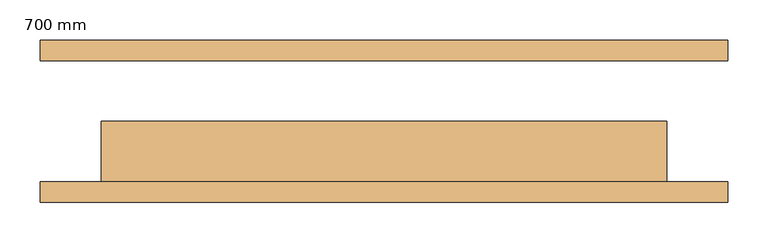
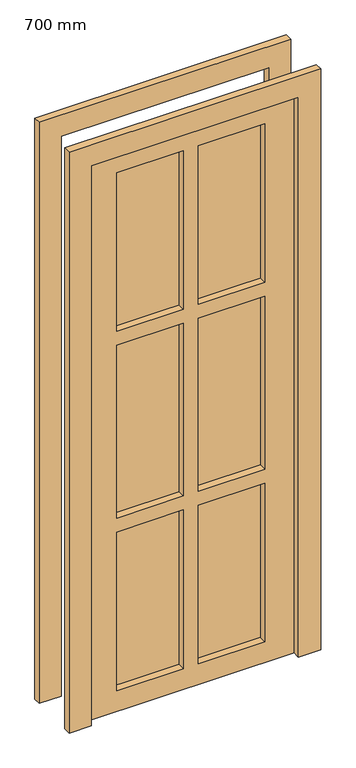
"""IFC4 building model written with IfcOpenShell, lengths in millimetres: door geometry, 700 mm."""

from ifc_helpers import new_model, si_unit, frame, origin, origin_with_axes, place, context, project, spatial, polyline, outline, extrude, source, transform, mapped, element, save


def door_700_mm_f9d08c18(model_context):
    return source(origin(), model_context, "Body", "SweptSolid", [
        extrude(outline(polyline([(2000.0, -350.0), (2000.0, 350.0), (0.0, 350.0), (0.0, 425.0), (2075.0, 425.0), (2075.0, -425.0), (0.0, -425.0), (0.0, -350.0), (2000.0, -350.0)])), frame((0.0, -100.0, 0.0), z_axis=(0.0, 1.0, 0.0), x_axis=(0.0, 0.0, 1.0)), (0.0, 0.0, 1.0), 25.0),
        extrude(outline(polyline([(2075.0, -425.0), (0.0, -425.0), (0.0, -350.0), (2000.0, -350.0), (2000.0, 350.0), (0.0, 350.0), (0.0, 425.0), (2075.0, 425.0), (2075.0, -425.0)])), frame((0.0, 75.0, 0.0), z_axis=(0.0, 1.0, 0.0), x_axis=(0.0, 0.0, 1.0)), (0.0, 0.0, 1.0), 25.0),
        extrude(outline(polyline([(-250.0, -50.0), (-250.0, -25.0), (-25.0, -25.0), (-25.0, -50.0), (-250.0, -50.0)])), frame((0.0, 0.0, 691.7), z_axis=(0.0, 0.0, 1.0), x_axis=(1.0, 0.0, 0.0)), (0.0, 0.0, 1.0), 616.7),
        extrude(outline(polyline([(250.0, -50.0), (25.0, -50.0), (25.0, -25.0), (250.0, -25.0), (250.0, -50.0)])), frame((0.0, 0.0, 691.7), z_axis=(0.0, 0.0, 1.0), x_axis=(1.0, 0.0, 0.0)), (0.0, 0.0, 1.0), 616.7),
        extrude(outline(polyline([(2000.0, -350.0), (0.0, -350.0), (0.0, 350.0), (2000.0, 350.0), (2000.0, -350.0)]), holes=[polyline([(1308.4, -25.0), (691.7, -25.0), (691.7, -250.0), (1308.4, -250.0), (1308.4, -25.0)]), polyline([(1308.4, 250.0), (691.7, 250.0), (691.7, 25.0), (1308.4, 25.0), (1308.4, 250.0)]), polyline([(641.7, 250.0), (75.0, 250.0), (75.0, 25.0), (641.7, 25.0), (641.7, 250.0)]), polyline([(641.7, -25.0), (75.0, -25.0), (75.0, -250.0), (641.7, -250.0), (641.7, -25.0)]), polyline([(1925.0333333, 250.0), (1358.3333333, 250.0), (1358.3333333, 25.0), (1925.0333333, 25.0), (1925.0333333, 250.0)]), polyline([(1925.0333333, -25.0), (1358.3333333, -25.0), (1358.3333333, -250.0), (1925.0333333, -250.0), (1925.0333333, -25.0)])]), frame((0.0, -75.0, 0.0), z_axis=(0.0, 1.0, 0.0), x_axis=(0.0, 0.0, 1.0)), (0.0, 0.0, 1.0), 75.0),
        extrude(outline(polyline([(-250.0, -50.0), (-250.0, -25.0), (-25.0, -25.0), (-25.0, -50.0), (-250.0, -50.0)])), frame((0.0, 0.0, 1358.3333333), z_axis=(0.0, 0.0, 1.0), x_axis=(1.0, 0.0, 0.0)), (0.0, 0.0, 1.0), 566.7),
        extrude(outline(polyline([(250.0, -50.0), (25.0, -50.0), (25.0, -25.0), (250.0, -25.0), (250.0, -50.0)])), frame((0.0, 0.0, 1358.3333333), z_axis=(0.0, 0.0, 1.0), x_axis=(1.0, 0.0, 0.0)), (0.0, 0.0, 1.0), 566.7),
        extrude(outline(polyline([(250.0, -50.0), (25.0, -50.0), (25.0, -25.0), (250.0, -25.0), (250.0, -50.0)])), frame((0.0, 0.0, 50.0), z_axis=(0.0, 0.0, 1.0), x_axis=(1.0, 0.0, 0.0)), (0.0, 0.0, 1.0), 604.2),
        extrude(outline(polyline([(-250.0, -50.0), (-250.0, -25.0), (-25.0, -25.0), (-25.0, -50.0), (-250.0, -50.0)])), origin_with_axes(), (0.0, 0.0, 1.0), 641.7),
    ])


if __name__ == "__main__":
    model = new_model("IFC4")
    model_context = context("Model", 3, world=origin())
    ifc_project = project(units=[si_unit("LENGTHUNIT", "METRE", prefix="MILLI")], contexts=[model_context])
    site = spatial("IfcSite", under=ifc_project)
    building = spatial("IfcBuilding", under=site)
    placement = place(None, origin())
    door_700_mm_shape = door_700_mm_f9d08c18(model_context)
    element("IfcDoor", 1, ObjectType="700 mm", at=placement, inside=building, context=model_context, shape_type="MappedRepresentation", body=[
        mapped(door_700_mm_shape, transform((0.0, 0.0, 0.0), x_axis=(1.0, 0.0, 0.0), y_axis=(0.0, 1.0, 0.0), z_axis=(0.0, 0.0, 1.0))),
    ])
    save(model, "model.ifc")
